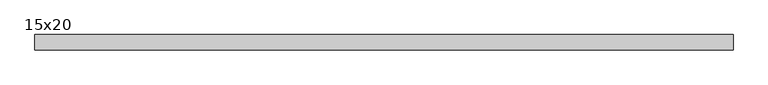
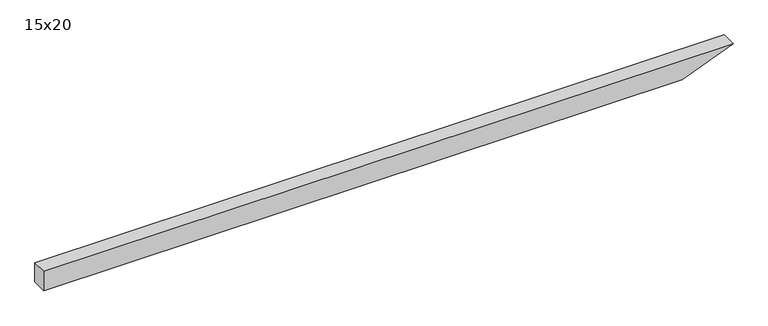
"""IFC4 building model written with IfcOpenShell, lengths in millimetres: beam geometry, 15x20."""

from ifc_helpers import new_model, si_unit, frame, origin, place, context, project, spatial, polyline, outline, extrude, source, transform, mapped, element, save


def beam_15x20_92087610(model_context):
    return source(origin(), model_context, "Body", "SweptSolid", [
        extrude(outline(polyline([(100.0, -3424.0), (-100.0, -3424.0), (-100.0, 2871.8), (100.0, 3374.0), (100.0, -3424.0)])), frame((0.0, -75.0, 0.0), z_axis=(0.0, 1.0, 0.0), x_axis=(0.0, 0.0, 1.0)), (0.0, 0.0, 1.0), 150.0),
    ])


if __name__ == "__main__":
    model = new_model("IFC4")
    model_context = context("Model", 3, world=origin())
    ifc_project = project(units=[si_unit("LENGTHUNIT", "METRE", prefix="MILLI")], contexts=[model_context])
    site = spatial("IfcSite", under=ifc_project)
    building = spatial("IfcBuilding", under=site)
    placement = place(None, origin())
    beam_15x20_shape = beam_15x20_92087610(model_context)
    element("IfcBeam", 1, ObjectType="15x20", at=placement, inside=building, context=model_context, shape_type="MappedRepresentation", body=[
        mapped(beam_15x20_shape, transform((0.0, 0.0, 0.0), x_axis=(1.0, 0.0, 0.0), y_axis=(0.0, 1.0, 0.0), z_axis=(0.0, 0.0, 1.0))),
    ])
    save(model, "model.ifc")
